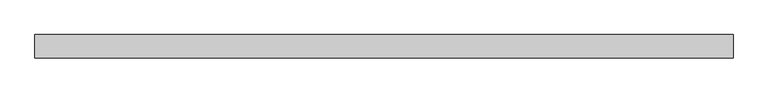
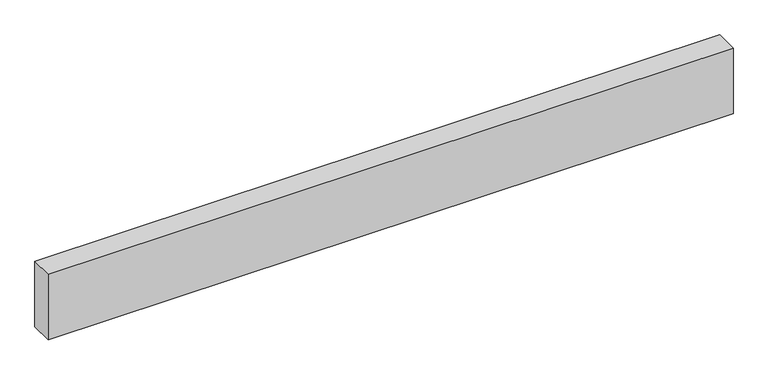
"""IFC4 building model written with IfcOpenShell, lengths in millimetres: proxy geometry."""

from ifc_helpers import new_model, si_unit, origin, origin_with_axes, place, context, project, spatial, polyline, outline, extrude, source, transform, mapped, element, save


def generic_models_fa1612b0(model_context):
    return source(origin(), model_context, "Body", "SweptSolid", [
        extrude(outline(polyline([(2967.5657531, 0.0), (2967.5657531, -100.0), (0.0, -100.0), (0.0, 0.0), (2967.5657531, 0.0)])), origin_with_axes(), (0.0, 0.0, 1.0), 300.0),
    ])


if __name__ == "__main__":
    model = new_model("IFC4")
    model_context = context("Model", 3, world=origin())
    ifc_project = project(units=[si_unit("LENGTHUNIT", "METRE", prefix="MILLI")], contexts=[model_context])
    site = spatial("IfcSite", under=ifc_project)
    building = spatial("IfcBuilding", under=site)
    placement = place(None, origin())
    generic_models_shape = generic_models_fa1612b0(model_context)
    element("IfcBuildingElementProxy", 1, Name="Generic Models", at=placement, inside=building, context=model_context, shape_type="MappedRepresentation", body=[
        mapped(generic_models_shape, transform((0.0, 0.0, 0.0), x_axis=(1.0, 0.0, 0.0), y_axis=(0.0, 1.0, 0.0), z_axis=(0.0, 0.0, 1.0))),
    ])
    save(model, "model.ifc")
